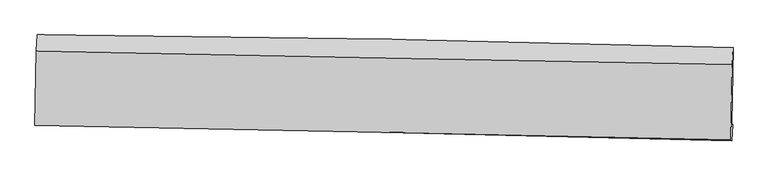
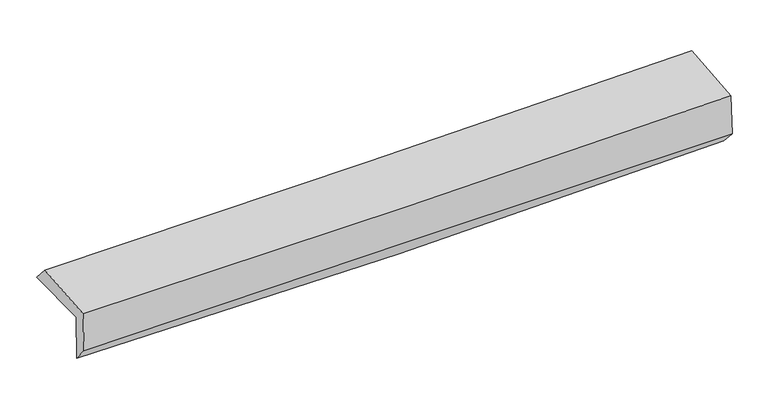
"""IFC4 building model written with IfcOpenShell, lengths in millimetres: proxy geometry."""

from ifc_helpers import new_model, si_unit, frame, origin, place, context, project, spatial, source, transform, mapped, element, save
from ifc_brep_helpers import plane_surface, spline_curve, spline_surface, advanced_brep


def generic_models_a0397d1c(model_context):
    return source(origin(), model_context, "Body", "AdvancedBrep", [
        advanced_brep(
        [(-3021.2100677, -1757.0175877, 1982.5717446), (-3007.6550202, -1088.1446271, 1966.2534364), (3009.7698675, -1198.681772, 2103.5285075), (2996.5381743, -1862.3795107, 2110.1947484), (-3011.3474184, -1744.9003839, 1562.9597076), (3006.083955, -1866.7882904, 1690.1993808), (-3017.420108, -1872.2057537, 1718.3549761), (2999.58529, -2009.1239142, 1851.2536358), (-3025.8974663, -1873.451803, 2086.9072156), (2991.2077301, -1999.5047733, 2224.7899555), (-3014.1649104, -1231.3017428, 2127.0912974), (3002.9708505, -1348.0380775, 2271.6462708)],
        [
            (0, 1),
            (1, 2, spline_curve(3, [(-3007.6550202, -1088.1446271, 1966.2534364), (-2003.883098336, -1095.192110384, 1960.714788689), (-1000.540992561, -1107.927401839, 1969.385262187), (1005.267289634, -1144.773301786, 2015.144081219), (2007.733479703, -1168.883725214, 2052.231964453), (3009.7698675, -1198.681772, 2103.5285075)], [4, 2, 4], [0.0, 9.876836411433175, 19.75351232424979])),
            (2, 3),
            (3, 0, spline_curve(3, [(2996.5381743, -1862.3795107, 2110.1947484), (1994.420304255, -1838.810969836, 2057.098504464), (991.886427216, -1818.246586321, 2019.915089268), (-1014.029640019, -1783.125847521, 1977.37357088), (-2017.411843491, -1768.569590219, 1972.01598466), (-3021.2100677, -1757.0175877, 1982.5717446)], [4, 2, 4], [0.0, 9.876675912816616, 19.75351232424979])),
            (4, 0),
            (3, 5),
            (5, 4, spline_curve(3, [(3006.083955, -1866.7882904, 1690.1993808), (2004.201900136, -1834.861710289, 1634.002584159), (1001.812336452, -1808.741130117, 1595.30082379), (-1003.998104797, -1768.111639165, 1552.887030595), (-2007.418999059, -1753.602917389, 1549.175566633), (-3011.3474184, -1744.9003839, 1562.9597076)], [4, 2, 4], [0.0, 9.8769769923237, 19.75411448815658])),
            (6, 4),
            (5, 7),
            (7, 6, spline_curve(3, [(2999.58529, -2009.1239142, 1851.2536358), (1996.832618897, -1980.48859114, 1829.467205996), (994.043241159, -1954.761151766, 1807.499193955), (-1011.625223551, -1909.12167061, 1763.199646708), (-2014.504311883, -1889.209722808, 1740.868105369), (-3017.420108, -1872.2057537, 1718.3549761)], [4, 2, 4], [0.0, 9.875810844203665, 19.751782172966294])),
            (8, 6),
            (7, 9),
            (9, 8, spline_curve(3, [(2991.2077301, -1999.5047733, 2224.7899555), (1988.748643299, -1975.989026338, 2186.525808069), (986.097742506, -1953.726813664, 2155.903537415), (-1019.603983168, -1911.709116339, 2109.942375747), (-2022.654814609, -1891.953672133, 2094.603733267), (-3025.8974663, -1873.451803, 2086.9072156)], [4, 2, 4], [0.0, 9.875360639501922, 19.750881756246862])),
            (10, 8),
            (9, 11),
            (11, 10, spline_curve(3, [(3002.9708505, -1348.0380775, 2271.6462708), (2000.246542647, -1329.526958414, 2240.646087001), (997.46048334, -1310.543454085, 2213.099817349), (-1008.251435085, -1271.631357551, 2164.914713944), (-2011.177295846, -1251.702750743, 2144.2759925), (-3014.1649104, -1231.3017428, 2127.0912974)], [4, 2, 4], [0.0, 9.875401460116125, 19.750963398138616])),
            (1, 10),
            (11, 2),
        ],
        [
            spline_surface(3, 3, [[(-3021.2100677, -1757.0175877, 1982.5717446), (-2017.411843388, -1768.569590252, 1972.01598475), (-1014.029639983, -1783.125847603, 1977.373570859), (991.88642718, -1818.246586239, 2019.915089289), (1994.420304408, -1838.810969892, 2057.098504479), (2996.5381743, -1862.3795107, 2110.1947484)], [(-3016.69171851, -1534.059934149, 1977.132308515), (-2012.902261656, -1544.110430293, 1968.248919342), (-1009.533424157, -1558.059699039, 1974.710801334), (996.346714589, -1593.755491404, 2018.324753236), (1998.858029456, -1615.501888319, 2055.476324476), (3000.948738687, -1641.146931123, 2107.972668116)], [(-3012.17336939, -1311.102280651, 1971.692872485), (-2008.392679994, -1319.651270386, 1964.481853988), (-1005.037208245, -1332.993550464, 1972.048031806), (1000.807002083, -1369.264396558, 2016.734417178), (2003.295754542, -1392.192806779, 2053.854144425), (3005.359303113, -1419.914351577, 2105.750587784)], [(-3007.6550202, -1088.1446271, 1966.2534364), (-2003.883098262, -1095.192110426, 1960.714788579), (-1000.540992419, -1107.9274019, 1969.385262281), (1005.267289492, -1144.773301724, 2015.144081125), (2007.733479589, -1168.883725207, 2052.231964421), (3009.7698675, -1198.681772, 2103.5285075)]], [4, 4], [4, 2, 4], [0.0, 2.2129260735942906], [0.0, 9.876836411433175, 19.75351232424979]),
            spline_surface(3, 3, [[(-3011.3474184, -1744.9003839, 1562.9597076), (-2007.418999131, -1753.602917289, 1549.175566698), (-1003.998104826, -1768.111639204, 1552.887030696), (1001.812336482, -1808.741130079, 1595.30082369), (2004.201899972, -1834.861710312, 1634.002584109), (3006.083955, -1866.7882904, 1690.1993808)], [(-3014.634968182, -1748.939451844, 1702.830386602), (-2010.749947232, -1758.591808287, 1690.122372717), (-1007.341949861, -1773.116375313, 1694.382544097), (998.503700065, -1811.909615442, 1736.838912236), (2000.941368116, -1836.178130171, 1775.03455756), (3002.902028099, -1865.318697166, 1830.197836661)], [(-3017.922517918, -1752.978519756, 1842.701065598), (-2014.080895286, -1763.580699254, 1831.069178731), (-1010.685794948, -1778.121111494, 1835.878057457), (995.195063596, -1815.078100876, 1878.377000742), (1997.680836264, -1837.494550033, 1916.066531028), (2999.720101201, -1863.849103934, 1970.196292539)], [(-3021.2100677, -1757.0175877, 1982.5717446), (-2017.411843388, -1768.569590252, 1972.01598475), (-1014.029639983, -1783.125847603, 1977.373570859), (991.88642718, -1818.246586239, 2019.915089289), (1994.420304408, -1838.810969892, 2057.098504479), (2996.5381743, -1862.3795107, 2110.1947484)]], [4, 4], [4, 2, 4], [0.0, 1.3938470707249508], [0.0, 9.877137495832882, 19.75411448815658]),
            spline_surface(3, 3, [[(-3017.420108, -1872.2057537, 1718.3549761), (-2014.504311895, -1889.209722858, 1740.868105261), (-1011.625223609, -1909.121670519, 1763.199646676), (994.043241218, -1954.761151857, 1807.499193987), (1996.832618892, -1980.488591038, 1829.467205846), (2999.58529, -2009.1239142, 1851.2536358)], [(-3015.395878117, -1829.770630435, 1666.556553268), (-2012.142540957, -1844.007454337, 1676.970592408), (-1009.082850675, -1862.118326772, 1693.095441343), (996.632939646, -1906.087811289, 1736.766403882), (1999.289045917, -1931.946297478, 1764.312331947), (3001.751511665, -1961.678706282, 1797.568884146)], [(-3013.371648283, -1787.335507165, 1614.758130432), (-2009.780770068, -1798.80518581, 1613.07307955), (-1006.540477761, -1815.114982951, 1622.991236029), (999.222638054, -1857.414470647, 1666.033613795), (2001.745472947, -1883.404003872, 1699.157458008), (3003.917733335, -1914.233498318, 1743.884132454)], [(-3011.3474184, -1744.9003839, 1562.9597076), (-2007.418999131, -1753.602917289, 1549.175566698), (-1003.998104826, -1768.111639204, 1552.887030696), (1001.812336482, -1808.741130079, 1595.30082369), (2004.201899972, -1834.861710312, 1634.002584109), (3006.083955, -1866.7882904, 1690.1993808)]], [4, 4], [4, 2, 4], [0.0, 0.8382830922631929], [0.0, 9.87597132876263, 19.751782172966294]),
            spline_surface(3, 3, [[(-3025.8974663, -1873.451803, 2086.9072156), (-2022.654814646, -1891.953672028, 2094.603733165), (-1019.603983282, -1911.709116246, 2109.942375757), (986.097742621, -1953.726813758, 2155.903537405), (1988.748643383, -1975.989026298, 2186.525808151), (2991.2077301, -1999.5047733, 2224.7899555)], [(-3023.071680202, -1873.036453233, 1964.056469095), (-2019.937980397, -1891.039022305, 1976.691857192), (-1016.944396737, -1910.846634315, 1994.361466064), (988.74624214, -1954.071593102, 2039.768756266), (1991.443301901, -1977.488881202, 2067.506274044), (2994.000250081, -2002.711153591, 2100.277848928)], [(-3020.245894098, -1872.621103467, 1841.205722605), (-2017.221146144, -1890.124372582, 1858.779981234), (-1014.284810154, -1909.98415245, 1878.780556369), (991.394741698, -1954.416372513, 1923.633975126), (1994.137960374, -1978.988736134, 1948.486739953), (2996.792770019, -2005.917533909, 1975.765742372)], [(-3017.420108, -1872.2057537, 1718.3549761), (-2014.504311895, -1889.209722858, 1740.868105261), (-1011.625223609, -1909.121670519, 1763.199646676), (994.043241218, -1954.761151857, 1807.499193987), (1996.832618892, -1980.488591038, 1829.467205846), (2999.58529, -2009.1239142, 1851.2536358)]], [4, 4], [4, 2, 4], [0.0, 1.1406350898178654], [0.0, 9.87552111674494, 19.750881756246862]),
            spline_surface(3, 3, [[(-3014.1649104, -1231.3017428, 2127.0912974), (-2011.177295953, -1251.702750702, 2144.275992641), (-1008.251435026, -1271.631357698, 2164.914713951), (997.460483281, -1310.543453939, 2213.099817341), (2000.246542626, -1329.526958456, 2240.646087161), (3002.9708505, -1348.0380775, 2271.6462708)], [(-3018.075762371, -1445.351762876, 2113.696603485), (-2015.003135521, -1465.119724486, 2127.718572834), (-1012.035617767, -1484.990610546, 2146.590601214), (993.672903072, -1524.93790721, 2194.03439069), (1996.413909531, -1545.01431439, 2222.605994155), (2999.049810352, -1565.193642753, 2256.02749903)], [(-3021.986614329, -1659.401782924, 2100.301909515), (-2018.828975077, -1678.536698244, 2111.161152972), (-1015.819800541, -1698.349863398, 2128.266488495), (989.88532283, -1739.332360486, 2174.968964057), (1992.581276478, -1760.501670364, 2204.565901157), (2995.128770248, -1782.349208047, 2240.40872727)], [(-3025.8974663, -1873.451803, 2086.9072156), (-2022.654814646, -1891.953672028, 2094.603733165), (-1019.603983282, -1911.709116246, 2109.942375757), (986.097742621, -1953.726813758, 2155.903537405), (1988.748643383, -1975.989026298, 2186.525808151), (2991.2077301, -1999.5047733, 2224.7899555)]], [4, 4], [4, 2, 4], [0.0, 2.1134420557228384], [0.0, 9.875561938022491, 19.750963398138616]),
            spline_surface(3, 3, [[(-3007.6550202, -1088.1446271, 1966.2534364), (-2003.883098262, -1095.192110426, 1960.714788579), (-1000.540992419, -1107.9274019, 1969.385262281), (1005.267289492, -1144.773301724, 2015.144081125), (2007.733479589, -1168.883725207, 2052.231964421), (3009.7698675, -1198.681772, 2103.5285075)], [(-3009.824983618, -1135.863665663, 2019.866056735), (-2006.31449751, -1147.362323848, 2021.901856601), (-1003.111139949, -1162.495387185, 2034.561746168), (1002.665020761, -1200.030019148, 2081.129326528), (2005.23783395, -1222.431469642, 2115.036671986), (3007.503528515, -1248.467207185, 2159.567761919)], [(-3011.994946982, -1183.582704237, 2073.478677065), (-2008.745896704, -1199.53253728, 2083.088924619), (-1005.681287496, -1217.063372413, 2099.738230064), (1000.062752012, -1255.286736515, 2147.114571939), (2002.742188266, -1275.979214021, 2177.841379595), (3005.237189485, -1298.252642315, 2215.607016381)], [(-3014.1649104, -1231.3017428, 2127.0912974), (-2011.177295953, -1251.702750702, 2144.275992641), (-1008.251435026, -1271.631357698, 2164.914713951), (997.460483281, -1310.543453939, 2213.099817341), (2000.246542626, -1329.526958456, 2240.646087161), (3002.9708505, -1348.0380775, 2271.6462708)]], [4, 4], [4, 2, 4], [0.0, 0.8422634147701542], [0.0, 9.875893370674154, 19.751626258056163]),
            plane_surface(frame((3001.0259779, -1714.0860564, 2041.9354165), z_axis=(0.9995431400922041, -0.01969695831949326, 0.022924679443270615), x_axis=(0.022414632925776327, -0.025736552546034453, -0.9994174373573077))),
            plane_surface(frame((-3016.2824985, -1594.5036497, 1907.3563963), z_axis=(-0.9995431400922047, 0.01969695831942262, -0.022924679443311977), x_axis=(-0.020255319108516256, -0.9994974337464452, 0.02438446189856992))),
        ],
        [
            (0, [[1, 2, 3, 4]]),
            (1, [[5, -4, 6, 7]]),
            (2, [[8, -7, 9, 10]]),
            (3, [[11, -10, 12, 13]]),
            (4, [[14, -13, 15, 16]]),
            (5, [[17, -16, 18, -2]]),
            (6, [[-12, -9, -6, -3, -18, -15]]),
            (7, [[-1, -5, -8, -11, -14, -17]]),
        ],
    ),
    ])


if __name__ == "__main__":
    model = new_model("IFC4")
    model_context = context("Model", 3, world=origin())
    ifc_project = project(units=[si_unit("LENGTHUNIT", "METRE", prefix="MILLI")], contexts=[model_context])
    site = spatial("IfcSite", under=ifc_project)
    building = spatial("IfcBuilding", under=site)
    placement = place(None, origin())
    generic_models_shape = generic_models_a0397d1c(model_context)
    element("IfcBuildingElementProxy", 1, Name="Generic Models", at=placement, inside=building, context=model_context, shape_type="MappedRepresentation", body=[
        mapped(generic_models_shape, transform((0.0, 0.0, 0.0), x_axis=(1.0, 0.0, 0.0), y_axis=(0.0, 1.0, 0.0), z_axis=(0.0, 0.0, 1.0))),
    ])
    save(model, "model.ifc")
